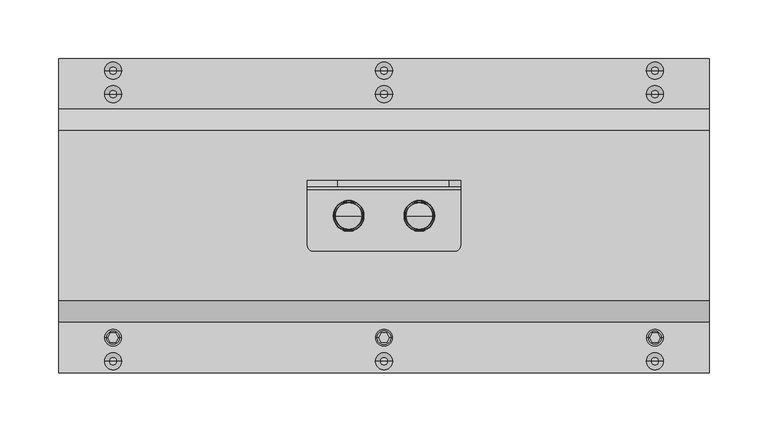
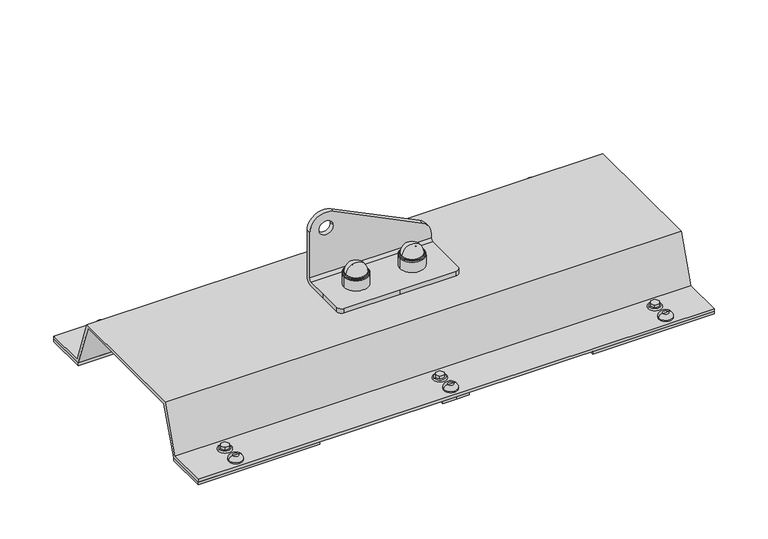
"""IFC4 building model written with IfcOpenShell, lengths in millimetres: proxy geometry."""

from ifc_helpers import new_model, si_unit, point, frame, origin, origin_with_axes, place, context, project, spatial, polyline, circle_curve, ellipse_curve, trimmed, outline, extrude, source, transform, mapped, element, save
from ifc_brep_helpers import plane_surface, cylinder_surface, revolved_surface, advanced_brep


def specialty_equipment_c025c67d(model_context):
    return source(origin(), model_context, "Body", "SolidModel", [
        advanced_brep(
        [(3270.0, -27.5, 61.0), (3257.0, -27.5, 61.0), (3283.0, -27.5, 61.0), (3258.8711318, -27.5, 74.769106), (3270.0, -27.5, 84.5), (3281.1288682, -27.5, 74.769106), (3258.3951125, -27.5, 74.0453749), (3281.6048875, -27.5, 74.0453749), (3257.4849619, -27.5, 73.4985013), (3282.5150381, -27.5, 73.4985013), (3257.0, -27.5, 72.641334), (3283.0, -27.5, 72.641334)],
        [
            (0, 1),
            (1, 2, circle_curve(frame((3270.0, -27.5, 61.0), z_axis=(0.0, 0.0, -1.0), x_axis=(1.0, 0.0, 0.0)), 13.0)),
            (2, 0),
            (2, 1, circle_curve(frame((3270.0, -27.5, 61.0), z_axis=(0.0, 0.0, -1.0), x_axis=(1.0, 0.0, 0.0)), 13.0)),
            (3, 4, circle_curve(frame((3270.0, -27.5, 73.2707129), z_axis=(0.0, 1.0, 0.0), x_axis=(1.0, 0.0, 0.0)), 11.2292871)),
            (4, 5, circle_curve(frame((3270.0, -27.5, 73.2707129), z_axis=(0.0, 1.0, 0.0), x_axis=(-1.0, 0.0, 0.0)), 11.2292871)),
            (5, 3, circle_curve(frame((3270.0, -27.5, 74.769106), z_axis=(0.0, 0.0, 1.0), x_axis=(1.0, 0.0, 0.0)), 11.1288682)),
            (3, 5, circle_curve(frame((3270.0, -27.5, 74.769106), z_axis=(0.0, 0.0, 1.0), x_axis=(1.0, 0.0, 0.0)), 11.1288682)),
            (6, 3, circle_curve(frame((3257.8800744, -27.5, 74.9025422), z_axis=(0.0, -1.0, 0.0), x_axis=(1.0, 0.0, 0.0)), 1.0)),
            (5, 7, circle_curve(frame((3282.1199256, -27.5, 74.9025422), z_axis=(0.0, -1.0, 0.0), x_axis=(-1.0, 0.0, 0.0)), 1.0)),
            (7, 6, circle_curve(frame((3270.0, -27.5, 74.0453749), z_axis=(0.0, 0.0, 1.0), x_axis=(1.0, 0.0, 0.0)), 11.6048875)),
            (6, 7, circle_curve(frame((3270.0, -27.5, 74.0453749), z_axis=(0.0, 0.0, 1.0), x_axis=(1.0, 0.0, 0.0)), 11.6048875)),
            (8, 6),
            (7, 9),
            (9, 8, circle_curve(frame((3270.0, -27.5, 73.4985013), z_axis=(0.0, 0.0, 1.0), x_axis=(1.0, 0.0, 0.0)), 12.5150381)),
            (8, 9, circle_curve(frame((3270.0, -27.5, 73.4985013), z_axis=(0.0, 0.0, 1.0), x_axis=(1.0, 0.0, 0.0)), 12.5150381)),
            (10, 8, circle_curve(frame((3258.0, -27.5, 72.641334), z_axis=(0.0, 1.0, 0.0), x_axis=(1.0, 0.0, 0.0)), 1.0)),
            (9, 11, circle_curve(frame((3282.0, -27.5, 72.641334), z_axis=(0.0, 1.0, 0.0), x_axis=(-1.0, 0.0, 0.0)), 1.0)),
            (11, 10, circle_curve(frame((3270.0, -27.5, 72.641334), z_axis=(0.0, 0.0, 1.0), x_axis=(1.0, 0.0, 0.0)), 13.0)),
            (10, 11, circle_curve(frame((3270.0, -27.5, 72.641334), z_axis=(0.0, 0.0, 1.0), x_axis=(1.0, 0.0, 0.0)), 13.0)),
            (1, 10),
            (11, 2),
        ],
        [
            plane_surface(frame((3270.0, -27.5, 61.0), z_axis=(0.0, 0.0, -1.0), x_axis=(1.0, 0.0, 0.0))),
            revolved_surface(trimmed(ellipse_curve(frame((3270.0, -27.5, 73.2707129), z_axis=(0.0, 1.0, 0.0), x_axis=(-1.0, 0.0, 0.0)), 11.2292871, 11.2292871), [point((3270.0, -27.5, 84.5))], [point((3281.1288682, -27.5, 74.769106))], True, "CARTESIAN"), (3270.0, -27.5, 53.3736575), (0.0, 0.0, -1.0)),
            revolved_surface(trimmed(ellipse_curve(frame((3282.1199256, -27.5, 74.9025422), z_axis=(0.0, -1.0, 0.0), x_axis=(-1.0, 0.0, 0.0)), 1.0, 1.0), [point((3281.1288682, -27.5, 74.769106))], [point((3281.6048875, -27.5, 74.0453749))], True, "CARTESIAN"), (3270.0, -27.5, 53.3736575), (0.0, 0.0, -1.0)),
            revolved_surface(polyline([(3281.6048875, -27.5, 74.0453749), (3282.5150381, -27.5, 73.4985013)]), (3270.0, -27.5, 53.3736575), (0.0, 0.0, -1.0)),
            revolved_surface(trimmed(ellipse_curve(frame((3282.0, -27.5, 72.641334), z_axis=(0.0, 1.0, 0.0), x_axis=(-1.0, 0.0, 0.0)), 1.0, 1.0), [point((3282.5150381, -27.5, 73.4985013))], [point((3283.0, -27.5, 72.641334))], True, "CARTESIAN"), (3270.0, -27.5, 53.3736575), (0.0, 0.0, -1.0)),
            cylinder_surface(frame((3270.0, -27.5, 53.3736575), z_axis=(0.0, 0.0, -1.0), x_axis=(1.0, 0.0, 0.0)), 13.0),
        ],
        [
            (0, [[1, 2, 3]]),
            (0, [[-3, 4, -1]]),
            (1, [[5, 6, 7]]),
            (1, [[-6, -5, 8]]),
            (2, [[9, -7, 10, 11]]),
            (2, [[-10, -8, -9, 12]]),
            (3, [[13, -11, 14, 15]]),
            (3, [[-14, -12, -13, 16]]),
            (4, [[17, -15, 18, 19]]),
            (4, [[-18, -16, -17, 20]]),
            (5, [[21, -19, 22, -2]]),
            (5, [[-22, -20, -21, -4]]),
        ],
    ),
        advanced_brep(
        [(3330.0, -27.5, 61.0), (3317.0, -27.5, 61.0), (3343.0, -27.5, 61.0), (3318.8711318, -27.5, 74.769106), (3330.0, -27.5, 84.5), (3341.1288682, -27.5, 74.769106), (3318.3951125, -27.5, 74.0453749), (3341.6048875, -27.5, 74.0453749), (3317.4849619, -27.5, 73.4985013), (3342.5150381, -27.5, 73.4985013), (3317.0, -27.5, 72.641334), (3343.0, -27.5, 72.641334)],
        [
            (0, 1),
            (1, 2, circle_curve(frame((3330.0, -27.5, 61.0), z_axis=(0.0, 0.0, -1.0), x_axis=(1.0, 0.0, 0.0)), 13.0)),
            (2, 0),
            (2, 1, circle_curve(frame((3330.0, -27.5, 61.0), z_axis=(0.0, 0.0, -1.0), x_axis=(1.0, 0.0, 0.0)), 13.0)),
            (3, 4, circle_curve(frame((3330.0, -27.5, 73.2707129), z_axis=(0.0, 1.0, 0.0), x_axis=(1.0, 0.0, 0.0)), 11.2292871)),
            (4, 5, circle_curve(frame((3330.0, -27.5, 73.2707129), z_axis=(0.0, 1.0, 0.0), x_axis=(-1.0, 0.0, 0.0)), 11.2292871)),
            (5, 3, circle_curve(frame((3330.0, -27.5, 74.769106), z_axis=(0.0, 0.0, 1.0), x_axis=(1.0, 0.0, 0.0)), 11.1288682)),
            (3, 5, circle_curve(frame((3330.0, -27.5, 74.769106), z_axis=(0.0, 0.0, 1.0), x_axis=(1.0, 0.0, 0.0)), 11.1288682)),
            (6, 3, circle_curve(frame((3317.8800744, -27.5, 74.9025422), z_axis=(0.0, -1.0, 0.0), x_axis=(1.0, 0.0, 0.0)), 1.0)),
            (5, 7, circle_curve(frame((3342.1199256, -27.5, 74.9025422), z_axis=(0.0, -1.0, 0.0), x_axis=(-1.0, 0.0, 0.0)), 1.0)),
            (7, 6, circle_curve(frame((3330.0, -27.5, 74.0453749), z_axis=(0.0, 0.0, 1.0), x_axis=(1.0, 0.0, 0.0)), 11.6048875)),
            (6, 7, circle_curve(frame((3330.0, -27.5, 74.0453749), z_axis=(0.0, 0.0, 1.0), x_axis=(1.0, 0.0, 0.0)), 11.6048875)),
            (8, 6),
            (7, 9),
            (9, 8, circle_curve(frame((3330.0, -27.5, 73.4985013), z_axis=(0.0, 0.0, 1.0), x_axis=(1.0, 0.0, 0.0)), 12.5150381)),
            (8, 9, circle_curve(frame((3330.0, -27.5, 73.4985013), z_axis=(0.0, 0.0, 1.0), x_axis=(1.0, 0.0, 0.0)), 12.5150381)),
            (10, 8, circle_curve(frame((3318.0, -27.5, 72.641334), z_axis=(0.0, 1.0, 0.0), x_axis=(1.0, 0.0, 0.0)), 1.0)),
            (9, 11, circle_curve(frame((3342.0, -27.5, 72.641334), z_axis=(0.0, 1.0, 0.0), x_axis=(-1.0, 0.0, 0.0)), 1.0)),
            (11, 10, circle_curve(frame((3330.0, -27.5, 72.641334), z_axis=(0.0, 0.0, 1.0), x_axis=(1.0, 0.0, 0.0)), 13.0)),
            (10, 11, circle_curve(frame((3330.0, -27.5, 72.641334), z_axis=(0.0, 0.0, 1.0), x_axis=(1.0, 0.0, 0.0)), 13.0)),
            (1, 10),
            (11, 2),
        ],
        [
            plane_surface(frame((3330.0, -27.5, 61.0), z_axis=(0.0, 0.0, -1.0), x_axis=(1.0, 0.0, 0.0))),
            revolved_surface(trimmed(ellipse_curve(frame((3330.0, -27.5, 73.2707129), z_axis=(0.0, 1.0, 0.0), x_axis=(-1.0, 0.0, 0.0)), 11.2292871, 11.2292871), [point((3330.0, -27.5, 84.5))], [point((3341.1288682, -27.5, 74.769106))], True, "CARTESIAN"), (3330.0, -27.5, 53.3736575), (0.0, 0.0, -1.0)),
            revolved_surface(trimmed(ellipse_curve(frame((3342.1199256, -27.5, 74.9025422), z_axis=(0.0, -1.0, 0.0), x_axis=(-1.0, 0.0, 0.0)), 1.0, 1.0), [point((3341.1288682, -27.5, 74.769106))], [point((3341.6048875, -27.5, 74.0453749))], True, "CARTESIAN"), (3330.0, -27.5, 53.3736575), (0.0, 0.0, -1.0)),
            revolved_surface(polyline([(3341.6048875, -27.5, 74.0453749), (3342.5150381, -27.5, 73.4985013)]), (3330.0, -27.5, 53.3736575), (0.0, 0.0, -1.0)),
            revolved_surface(trimmed(ellipse_curve(frame((3342.0, -27.5, 72.641334), z_axis=(0.0, 1.0, 0.0), x_axis=(-1.0, 0.0, 0.0)), 1.0, 1.0), [point((3342.5150381, -27.5, 73.4985013))], [point((3343.0, -27.5, 72.641334))], True, "CARTESIAN"), (3330.0, -27.5, 53.3736575), (0.0, 0.0, -1.0)),
            cylinder_surface(frame((3330.0, -27.5, 53.3736575), z_axis=(0.0, 0.0, -1.0), x_axis=(1.0, 0.0, 0.0)), 13.0),
        ],
        [
            (0, [[1, 2, 3]]),
            (0, [[-3, 4, -1]]),
            (1, [[5, 6, 7]]),
            (1, [[-6, -5, 8]]),
            (2, [[9, -7, 10, 11]]),
            (2, [[-10, -8, -9, 12]]),
            (3, [[13, -11, 14, 15]]),
            (3, [[-14, -12, -13, 16]]),
            (4, [[17, -15, 18, 19]]),
            (4, [[-18, -16, -17, 20]]),
            (5, [[21, -19, 22, -2]]),
            (5, [[-22, -20, -21, -4]]),
        ],
    ),
        advanced_brep(
        [(3235.0, -2.5, 114.5), (3235.0, -2.5, 64.0), (3365.0, -2.5, 64.0), (3365.0, -2.5, 68.1654041), (3355.1714951, -2.5, 83.8942999), (3260.1714951, -2.5, 130.2288958), (3245.0, -2.5, 114.5), (3260.0, -2.5, 114.5), (3365.0, 2.5, 68.1654041), (3365.0, 2.5, 64.0), (3235.0, 2.5, 64.0), (3235.0, 2.5, 114.5), (3260.1714951, 2.5, 130.2288958), (3355.1714951, 2.5, 83.8942999), (3260.0, 2.5, 114.5), (3245.0, 2.5, 114.5), (3365.0, -27.5, 61.0), (3365.0, -5.5, 61.0), (3235.0, -5.5, 61.0), (3235.0, -27.5, 61.0), (3235.0, -52.5, 61.0), (3240.0, -57.5, 61.0), (3300.0, -57.5, 61.0), (3360.0, -57.5, 61.0), (3365.0, -52.5, 61.0), (3235.0, -27.5, 56.0), (3235.0, -5.5, 56.0), (3365.0, -5.5, 56.0), (3365.0, -27.5, 56.0), (3365.0, -52.5, 56.0), (3360.0, -57.5, 56.0), (3300.0, -57.5, 56.0), (3240.0, -57.5, 56.0), (3235.0, -52.5, 56.0)],
        [
            (0, 1),
            (1, 2),
            (2, 3),
            (3, 4, circle_curve(frame((3347.5, -2.5, 68.1654041), z_axis=(0.0, -1.0, 0.0), x_axis=(1.0, 0.0, 0.0)), 17.5)),
            (4, 5),
            (5, 0, circle_curve(frame((3252.5, -2.5, 114.5), z_axis=(0.0, -1.0, 0.0), x_axis=(1.0, 0.0, 0.0)), 17.5)),
            (6, 7, circle_curve(frame((3252.5, -2.5, 114.5), z_axis=(0.0, 1.0, 0.0), x_axis=(-1.0, 0.0, 0.0)), 7.5)),
            (7, 6, circle_curve(frame((3252.5, -2.5, 114.5), z_axis=(0.0, 1.0, 0.0), x_axis=(-1.0, 0.0, 0.0)), 7.5)),
            (8, 9),
            (9, 10),
            (10, 11),
            (11, 12, circle_curve(frame((3252.5, 2.5, 114.5), z_axis=(0.0, 1.0, 0.0), x_axis=(1.0, 0.0, 0.0)), 17.5)),
            (12, 13),
            (13, 8, circle_curve(frame((3347.5, 2.5, 68.1654041), z_axis=(0.0, 1.0, 0.0), x_axis=(1.0, 0.0, 0.0)), 17.5)),
            (14, 15, circle_curve(frame((3252.5, 2.5, 114.5), z_axis=(0.0, -1.0, 0.0), x_axis=(-1.0, 0.0, 0.0)), 7.5)),
            (15, 14, circle_curve(frame((3252.5, 2.5, 114.5), z_axis=(0.0, -1.0, 0.0), x_axis=(-1.0, 0.0, 0.0)), 7.5)),
            (16, 17),
            (17, 18),
            (18, 19),
            (19, 20),
            (20, 21, circle_curve(frame((3240.0, -52.5, 61.0), z_axis=(0.0, 0.0, 1.0), x_axis=(0.0, 1.0, 0.0)), 5.0)),
            (21, 22),
            (22, 23),
            (23, 24, circle_curve(frame((3360.0, -52.5, 61.0), z_axis=(0.0, 0.0, 1.0), x_axis=(0.0, 1.0, 0.0)), 5.0)),
            (24, 16),
            (25, 26),
            (26, 27),
            (27, 28),
            (28, 29),
            (29, 30, circle_curve(frame((3360.0, -52.5, 56.0), z_axis=(0.0, 0.0, -1.0), x_axis=(0.0, 1.0, 0.0)), 5.0)),
            (30, 31),
            (31, 32),
            (32, 33, circle_curve(frame((3240.0, -52.5, 56.0), z_axis=(0.0, 0.0, -1.0), x_axis=(0.0, 1.0, 0.0)), 5.0)),
            (33, 25),
            (24, 29),
            (28, 16),
            (23, 30),
            (22, 31),
            (21, 32),
            (20, 33),
            (19, 25),
            (1, 18, circle_curve(frame((3235.0, -5.5, 64.0), z_axis=(-1.0, 0.0, 0.0), x_axis=(0.0, 1.0, 0.0)), 3.0)),
            (17, 2, circle_curve(frame((3365.0, -5.5, 64.0), z_axis=(1.0, 0.0, 0.0), x_axis=(0.0, 1.0, 0.0)), 3.0)),
            (10, 26, circle_curve(frame((3235.0, -5.5, 64.0), z_axis=(-1.0, 0.0, 0.0), x_axis=(0.0, 1.0, 0.0)), 8.0)),
            (0, 11),
            (5, 12),
            (4, 13),
            (3, 8),
            (27, 9, circle_curve(frame((3365.0, -5.5, 64.0), z_axis=(1.0, 0.0, 0.0), x_axis=(0.0, 1.0, 0.0)), 8.0)),
            (7, 14),
            (15, 6),
        ],
        [
            plane_surface(frame((3235.0, -2.5, 61.0), z_axis=(0.0, -1.0, 0.0), x_axis=(0.0, 0.0, 1.0))),
            plane_surface(frame((3235.0, 2.5, 61.0), z_axis=(0.0, 1.0, 0.0), x_axis=(0.0, 0.0, -1.0))),
            plane_surface(frame((3365.0, 2.5, 61.0), z_axis=(0.0, 0.0, 1.0), x_axis=(0.0, -1.0, 0.0))),
            plane_surface(frame((3365.0, 2.5, 56.0), z_axis=(0.0, 0.0, -1.0), x_axis=(0.0, 1.0, 0.0))),
            plane_surface(frame((3365.0, -27.5, 61.0), z_axis=(1.0, 0.0, 0.0), x_axis=(0.0, 0.0, -1.0))),
            cylinder_surface(frame((3360.0, -52.5, 56.0), z_axis=(0.0, 0.0, 1.0), x_axis=(0.0, 1.0, 0.0)), 5.0),
            plane_surface(frame((3360.0, -57.5, 61.0), z_axis=(0.0, -1.0, 0.0), x_axis=(0.0, 0.0, -1.0))),
            plane_surface(frame((3300.0, -57.5, 61.0), z_axis=(0.0, -1.0, 0.0), x_axis=(0.0, 0.0, -1.0))),
            cylinder_surface(frame((3240.0, -52.5, 56.0), z_axis=(0.0, 0.0, 1.0), x_axis=(0.0, 1.0, 0.0)), 5.0),
            plane_surface(frame((3235.0, -52.5, 61.0), z_axis=(-1.0, 0.0, 0.0), x_axis=(0.0, 0.0, -1.0))),
            revolved_surface(polyline([(3365.0, -2.5, 64.0), (3235.0, -2.5, 64.0)]), (3365.0, -5.5, 64.0), (1.0, 0.0, 0.0)),
            plane_surface(frame((3235.0, -2.5, 61.0), z_axis=(-1.0, 0.0, 0.0), x_axis=(0.0, 1.0, 0.0))),
            cylinder_surface(frame((3252.5, 2.5, 114.5), z_axis=(0.0, -1.0, 0.0), x_axis=(1.0, 0.0, 0.0)), 17.5),
            plane_surface(frame((3260.1714951, -2.5, 130.2288958), z_axis=(0.43837114678908046, 0.0, 0.8987940462991656), x_axis=(0.0, 1.0, 0.0))),
            cylinder_surface(frame((3347.5, 2.5, 68.1654041), z_axis=(0.0, -1.0, 0.0), x_axis=(1.0, 0.0, 0.0)), 17.5),
            plane_surface(frame((3365.0, -2.5, 68.1654041), z_axis=(1.0, 0.0, 0.0), x_axis=(0.0, 1.0, 0.0))),
            revolved_surface(polyline([(3245.0, -2.5, 114.5), (3245.0, 2.5, 114.5)]), (3252.5, 2.5, 114.5), (0.0, -1.0, 0.0)),
            cylinder_surface(frame((3365.0, -5.5, 64.0), z_axis=(1.0, 0.0, 0.0), x_axis=(0.0, 1.0, 0.0)), 8.0),
        ],
        [
            (0, [[1, 2, 3, 4, 5, 6], [7, 8]]),
            (1, [[9, 10, 11, 12, 13, 14], [15, 16]]),
            (2, [[17, 18, 19, 20, 21, 22, 23, 24, 25]]),
            (3, [[26, 27, 28, 29, 30, 31, 32, 33, 34]]),
            (4, [[35, -29, 36, -25]]),
            (5, [[37, -30, -35, -24]]),
            (6, [[38, -31, -37, -23]]),
            (7, [[39, -32, -38, -22]]),
            (8, [[40, -33, -39, -21]]),
            (9, [[41, -34, -40, -20]]),
            (10, [[-2, 42, -18, 43]]),
            (11, [[-11, 44, -26, -41, -19, -42, -1, 45]]),
            (12, [[46, -12, -45, -6]]),
            (13, [[47, -13, -46, -5]]),
            (14, [[48, -14, -47, -4]]),
            (15, [[-3, -43, -17, -36, -28, 49, -9, -48]]),
            (16, [[-8, 50, -16, 51]]),
            (16, [[-15, -50, -7, -51]]),
            (17, [[-49, -27, -44, -10]]),
        ],
    ),
        extrude(outline(polyline([(61.0, 3.0), (42.7695663, 53.0877048), (-97.7695663, 53.0877048), (-116.0, 3.0), (-161.0, 3.0), (-161.0, 6.0), (-118.1006226, 6.0), (-99.870189, 56.0877048), (44.870189, 56.0877048), (63.1006226, 6.0), (106.0, 6.0), (106.0, 3.0), (61.0, 3.0)])), frame((3024.0, 0.0, 0.0), z_axis=(1.0, 0.0, 0.0), x_axis=(0.0, 1.0, 0.0)), (0.0, 0.0, 1.0), 552.0),
        extrude(outline(polyline([(3446.0, 106.0), (3576.0, 106.0), (3576.0, 61.0), (3446.0, 61.0), (3446.0, 106.0)])), origin_with_axes(), (0.0, 0.0, 1.0), 3.0),
        extrude(outline(polyline([(3154.0, 106.0), (3154.0, 61.0), (3024.0, 61.0), (3024.0, 106.0), (3154.0, 106.0)])), origin_with_axes(), (0.0, 0.0, 1.0), 3.0),
        extrude(outline(polyline([(3446.0, -161.0), (3446.0, -116.0), (3576.0, -116.0), (3576.0, -161.0), (3446.0, -161.0)])), origin_with_axes(), (0.0, 0.0, 1.0), 3.0),
        extrude(outline(polyline([(3154.0, -161.0), (3024.0, -161.0), (3024.0, -116.0), (3154.0, -116.0), (3154.0, -161.0)])), origin_with_axes(), (0.0, 0.0, 1.0), 3.0),
        extrude(outline(polyline([(3300.0, 106.0), (3314.1113894, 106.0), (3314.1113894, 61.0), (3300.0, 61.0), (3285.8886106, 61.0), (3285.8886106, 106.0), (3300.0, 106.0)])), origin_with_axes(), (0.0, 0.0, 1.0), 3.0),
        extrude(outline(polyline([(3300.0, -161.0), (3285.8886106, -161.0), (3285.8886106, -116.0), (3300.0, -116.0), (3314.1113894, -116.0), (3314.1113894, -161.0), (3300.0, -161.0)])), origin_with_axes(), (0.0, 0.0, 1.0), 3.0),
        advanced_brep(
        [(3062.7019875, -151.0, 6.0), (3070.0, -151.0, 6.0), (3077.2980125, -151.0, 6.0), (3062.7019875, -151.0, 7.5), (3077.2980125, -151.0, 7.5), (3066.7019875, -151.0, 11.5), (3073.2980125, -151.0, 11.5), (3070.0, -151.0, 11.5)],
        [
            (0, 1),
            (1, 2),
            (2, 0, circle_curve(frame((3070.0, -151.0, 6.0), z_axis=(0.0, 0.0, -1.0), x_axis=(1.0, 0.0, 0.0)), 7.2980125)),
            (0, 2, circle_curve(frame((3070.0, -151.0, 6.0), z_axis=(0.0, 0.0, -1.0), x_axis=(1.0, 0.0, 0.0)), 7.2980125)),
            (3, 0),
            (2, 4),
            (4, 3, circle_curve(frame((3070.0, -151.0, 7.5), z_axis=(0.0, 0.0, -1.0), x_axis=(1.0, 0.0, 0.0)), 7.2980125)),
            (3, 4, circle_curve(frame((3070.0, -151.0, 7.5), z_axis=(0.0, 0.0, -1.0), x_axis=(1.0, 0.0, 0.0)), 7.2980125)),
            (5, 3, circle_curve(frame((3066.7019875, -151.0, 7.5), z_axis=(0.0, -1.0, 0.0), x_axis=(-1.0, 0.0, 0.0)), 4.0)),
            (4, 6, circle_curve(frame((3073.2980125, -151.0, 7.5), z_axis=(0.0, -1.0, 0.0), x_axis=(1.0, 0.0, 0.0)), 4.0)),
            (6, 5, circle_curve(frame((3070.0, -151.0, 11.5), z_axis=(0.0, 0.0, -1.0), x_axis=(1.0, 0.0, 0.0)), 3.2980125)),
            (5, 6, circle_curve(frame((3070.0, -151.0, 11.5), z_axis=(0.0, 0.0, -1.0), x_axis=(1.0, 0.0, 0.0)), 3.2980125)),
            (7, 5),
            (6, 7),
        ],
        [
            plane_surface(frame((3070.0, -151.0, 6.0), z_axis=(0.0, 0.0, -1.0), x_axis=(1.0, 0.0, 0.0))),
            cylinder_surface(frame((3070.0, -151.0, -55.0), z_axis=(0.0, 0.0, 1.0), x_axis=(1.0, 0.0, 0.0)), 7.2980125),
            revolved_surface(trimmed(ellipse_curve(frame((3073.2980125, -151.0, 7.5), z_axis=(0.0, -1.0, 0.0), x_axis=(1.0, 0.0, 0.0)), 4.0, 4.0), [point((3077.2980125, -151.0, 7.5))], [point((3073.2980125, -151.0, 11.5))], True, "CARTESIAN"), (3070.0, -151.0, -55.0), (0.0, 0.0, 1.0)),
            plane_surface(frame((3070.0, -151.0, 11.5), z_axis=(0.0, 0.0, 1.0), x_axis=(1.0, 0.0, 0.0))),
        ],
        [
            (0, [[1, 2, 3]]),
            (0, [[-2, -1, 4]]),
            (1, [[5, -3, 6, 7]]),
            (1, [[-6, -4, -5, 8]]),
            (2, [[9, -7, 10, 11]]),
            (2, [[-10, -8, -9, 12]]),
            (3, [[13, -11, 14]]),
            (3, [[-14, -12, -13]]),
        ],
    ),
        advanced_brep(
        [(3292.7019875, -151.0, 6.0), (3300.0, -151.0, 6.0), (3307.2980125, -151.0, 6.0), (3292.7019875, -151.0, 7.5), (3307.2980125, -151.0, 7.5), (3296.7019875, -151.0, 11.5), (3303.2980125, -151.0, 11.5), (3300.0, -151.0, 11.5)],
        [
            (0, 1),
            (1, 2),
            (2, 0, circle_curve(frame((3300.0, -151.0, 6.0), z_axis=(0.0, 0.0, -1.0), x_axis=(1.0, 0.0, 0.0)), 7.2980125)),
            (0, 2, circle_curve(frame((3300.0, -151.0, 6.0), z_axis=(0.0, 0.0, -1.0), x_axis=(1.0, 0.0, 0.0)), 7.2980125)),
            (3, 0),
            (2, 4),
            (4, 3, circle_curve(frame((3300.0, -151.0, 7.5), z_axis=(0.0, 0.0, -1.0), x_axis=(1.0, 0.0, 0.0)), 7.2980125)),
            (3, 4, circle_curve(frame((3300.0, -151.0, 7.5), z_axis=(0.0, 0.0, -1.0), x_axis=(1.0, 0.0, 0.0)), 7.2980125)),
            (5, 3, circle_curve(frame((3296.7019875, -151.0, 7.5), z_axis=(0.0, -1.0, 0.0), x_axis=(-1.0, 0.0, 0.0)), 4.0)),
            (4, 6, circle_curve(frame((3303.2980125, -151.0, 7.5), z_axis=(0.0, -1.0, 0.0), x_axis=(1.0, 0.0, 0.0)), 4.0)),
            (6, 5, circle_curve(frame((3300.0, -151.0, 11.5), z_axis=(0.0, 0.0, -1.0), x_axis=(1.0, 0.0, 0.0)), 3.2980125)),
            (5, 6, circle_curve(frame((3300.0, -151.0, 11.5), z_axis=(0.0, 0.0, -1.0), x_axis=(1.0, 0.0, 0.0)), 3.2980125)),
            (7, 5),
            (6, 7),
        ],
        [
            plane_surface(frame((3300.0, -151.0, 6.0), z_axis=(0.0, 0.0, -1.0), x_axis=(1.0, 0.0, 0.0))),
            cylinder_surface(frame((3300.0, -151.0, -55.0), z_axis=(0.0, 0.0, 1.0), x_axis=(1.0, 0.0, 0.0)), 7.2980125),
            revolved_surface(trimmed(ellipse_curve(frame((3303.2980125, -151.0, 7.5), z_axis=(0.0, -1.0, 0.0), x_axis=(1.0, 0.0, 0.0)), 4.0, 4.0), [point((3307.2980125, -151.0, 7.5))], [point((3303.2980125, -151.0, 11.5))], True, "CARTESIAN"), (3300.0, -151.0, -55.0), (0.0, 0.0, 1.0)),
            plane_surface(frame((3300.0, -151.0, 11.5), z_axis=(0.0, 0.0, 1.0), x_axis=(1.0, 0.0, 0.0))),
        ],
        [
            (0, [[1, 2, 3]]),
            (0, [[-2, -1, 4]]),
            (1, [[5, -3, 6, 7]]),
            (1, [[-6, -4, -5, 8]]),
            (2, [[9, -7, 10, 11]]),
            (2, [[-10, -8, -9, 12]]),
            (3, [[13, -11, 14]]),
            (3, [[-14, -12, -13]]),
        ],
    ),
        advanced_brep(
        [(3522.7019875, -151.0, 6.0), (3530.0, -151.0, 6.0), (3537.2980125, -151.0, 6.0), (3522.7019875, -151.0, 7.5), (3537.2980125, -151.0, 7.5), (3526.7019875, -151.0, 11.5), (3533.2980125, -151.0, 11.5), (3530.0, -151.0, 11.5)],
        [
            (0, 1),
            (1, 2),
            (2, 0, circle_curve(frame((3530.0, -151.0, 6.0), z_axis=(0.0, 0.0, -1.0), x_axis=(1.0, 0.0, 0.0)), 7.2980125)),
            (0, 2, circle_curve(frame((3530.0, -151.0, 6.0), z_axis=(0.0, 0.0, -1.0), x_axis=(1.0, 0.0, 0.0)), 7.2980125)),
            (3, 0),
            (2, 4),
            (4, 3, circle_curve(frame((3530.0, -151.0, 7.5), z_axis=(0.0, 0.0, -1.0), x_axis=(1.0, 0.0, 0.0)), 7.2980125)),
            (3, 4, circle_curve(frame((3530.0, -151.0, 7.5), z_axis=(0.0, 0.0, -1.0), x_axis=(1.0, 0.0, 0.0)), 7.2980125)),
            (5, 3, circle_curve(frame((3526.7019875, -151.0, 7.5), z_axis=(0.0, -1.0, 0.0), x_axis=(-1.0, 0.0, 0.0)), 4.0)),
            (4, 6, circle_curve(frame((3533.2980125, -151.0, 7.5), z_axis=(0.0, -1.0, 0.0), x_axis=(1.0, 0.0, 0.0)), 4.0)),
            (6, 5, circle_curve(frame((3530.0, -151.0, 11.5), z_axis=(0.0, 0.0, -1.0), x_axis=(1.0, 0.0, 0.0)), 3.2980125)),
            (5, 6, circle_curve(frame((3530.0, -151.0, 11.5), z_axis=(0.0, 0.0, -1.0), x_axis=(1.0, 0.0, 0.0)), 3.2980125)),
            (7, 5),
            (6, 7),
        ],
        [
            plane_surface(frame((3530.0, -151.0, 6.0), z_axis=(0.0, 0.0, -1.0), x_axis=(1.0, 0.0, 0.0))),
            cylinder_surface(frame((3530.0, -151.0, -55.0), z_axis=(0.0, 0.0, 1.0), x_axis=(1.0, 0.0, 0.0)), 7.2980125),
            revolved_surface(trimmed(ellipse_curve(frame((3533.2980125, -151.0, 7.5), z_axis=(0.0, -1.0, 0.0), x_axis=(1.0, 0.0, 0.0)), 4.0, 4.0), [point((3537.2980125, -151.0, 7.5))], [point((3533.2980125, -151.0, 11.5))], True, "CARTESIAN"), (3530.0, -151.0, -55.0), (0.0, 0.0, 1.0)),
            plane_surface(frame((3530.0, -151.0, 11.5), z_axis=(0.0, 0.0, 1.0), x_axis=(1.0, 0.0, 0.0))),
        ],
        [
            (0, [[1, 2, 3]]),
            (0, [[-2, -1, 4]]),
            (1, [[5, -3, 6, 7]]),
            (1, [[-6, -4, -5, 8]]),
            (2, [[9, -7, 10, 11]]),
            (2, [[-10, -8, -9, 12]]),
            (3, [[13, -11, 14]]),
            (3, [[-14, -12, -13]]),
        ],
    ),
        advanced_brep(
        [(3077.2980125, 76.0, 6.0), (3070.0, 76.0, 6.0), (3062.7019875, 76.0, 6.0), (3077.2980125, 76.0, 7.5), (3062.7019875, 76.0, 7.5), (3073.2980125, 76.0, 11.5), (3066.7019875, 76.0, 11.5), (3070.0, 76.0, 11.5)],
        [
            (0, 1),
            (1, 2),
            (2, 0, circle_curve(frame((3070.0, 76.0, 6.0), z_axis=(0.0, 0.0, -1.0), x_axis=(-1.0, 0.0, 0.0)), 7.2980125)),
            (0, 2, circle_curve(frame((3070.0, 76.0, 6.0), z_axis=(0.0, 0.0, -1.0), x_axis=(-1.0, 0.0, 0.0)), 7.2980125)),
            (3, 0),
            (2, 4),
            (4, 3, circle_curve(frame((3070.0, 76.0, 7.5), z_axis=(0.0, 0.0, -1.0), x_axis=(-1.0, 0.0, 0.0)), 7.2980125)),
            (3, 4, circle_curve(frame((3070.0, 76.0, 7.5), z_axis=(0.0, 0.0, -1.0), x_axis=(-1.0, 0.0, 0.0)), 7.2980125)),
            (5, 3, circle_curve(frame((3073.2980125, 76.0, 7.5), z_axis=(0.0, 1.0, 0.0), x_axis=(-1.0, 0.0, 0.0)), 4.0)),
            (4, 6, circle_curve(frame((3066.7019875, 76.0, 7.5), z_axis=(0.0, 1.0, 0.0), x_axis=(1.0, 0.0, 0.0)), 4.0)),
            (6, 5, circle_curve(frame((3070.0, 76.0, 11.5), z_axis=(0.0, 0.0, -1.0), x_axis=(-1.0, 0.0, 0.0)), 3.2980125)),
            (5, 6, circle_curve(frame((3070.0, 76.0, 11.5), z_axis=(0.0, 0.0, -1.0), x_axis=(-1.0, 0.0, 0.0)), 3.2980125)),
            (7, 5),
            (6, 7),
        ],
        [
            plane_surface(frame((3070.0, 76.0, 6.0), z_axis=(0.0, 0.0, -1.0), x_axis=(-1.0, 0.0, 0.0))),
            cylinder_surface(frame((3070.0, 76.0, -55.0), z_axis=(0.0, 0.0, 1.0), x_axis=(-1.0, 0.0, 0.0)), 7.2980125),
            revolved_surface(trimmed(ellipse_curve(frame((3066.7019875, 76.0, 7.5), z_axis=(0.0, 1.0, 0.0), x_axis=(1.0, 0.0, 0.0)), 4.0, 4.0), [point((3062.7019875, 76.0, 7.5))], [point((3066.7019875, 76.0, 11.5))], True, "CARTESIAN"), (3070.0, 76.0, -55.0), (0.0, 0.0, 1.0)),
            plane_surface(frame((3070.0, 76.0, 11.5), z_axis=(0.0, 0.0, 1.0), x_axis=(-1.0, 0.0, 0.0))),
        ],
        [
            (0, [[1, 2, 3]]),
            (0, [[-2, -1, 4]]),
            (1, [[5, -3, 6, 7]]),
            (1, [[-6, -4, -5, 8]]),
            (2, [[9, -7, 10, 11]]),
            (2, [[-10, -8, -9, 12]]),
            (3, [[13, -11, 14]]),
            (3, [[-14, -12, -13]]),
        ],
    ),
        advanced_brep(
        [(3307.2980125, 76.0, 6.0), (3300.0, 76.0, 6.0), (3292.7019875, 76.0, 6.0), (3307.2980125, 76.0, 7.5), (3292.7019875, 76.0, 7.5), (3303.2980125, 76.0, 11.5), (3296.7019875, 76.0, 11.5), (3300.0, 76.0, 11.5)],
        [
            (0, 1),
            (1, 2),
            (2, 0, circle_curve(frame((3300.0, 76.0, 6.0), z_axis=(0.0, 0.0, -1.0), x_axis=(-1.0, 0.0, 0.0)), 7.2980125)),
            (0, 2, circle_curve(frame((3300.0, 76.0, 6.0), z_axis=(0.0, 0.0, -1.0), x_axis=(-1.0, 0.0, 0.0)), 7.2980125)),
            (3, 0),
            (2, 4),
            (4, 3, circle_curve(frame((3300.0, 76.0, 7.5), z_axis=(0.0, 0.0, -1.0), x_axis=(-1.0, 0.0, 0.0)), 7.2980125)),
            (3, 4, circle_curve(frame((3300.0, 76.0, 7.5), z_axis=(0.0, 0.0, -1.0), x_axis=(-1.0, 0.0, 0.0)), 7.2980125)),
            (5, 3, circle_curve(frame((3303.2980125, 76.0, 7.5), z_axis=(0.0, 1.0, 0.0), x_axis=(-1.0, 0.0, 0.0)), 4.0)),
            (4, 6, circle_curve(frame((3296.7019875, 76.0, 7.5), z_axis=(0.0, 1.0, 0.0), x_axis=(1.0, 0.0, 0.0)), 4.0)),
            (6, 5, circle_curve(frame((3300.0, 76.0, 11.5), z_axis=(0.0, 0.0, -1.0), x_axis=(-1.0, 0.0, 0.0)), 3.2980125)),
            (5, 6, circle_curve(frame((3300.0, 76.0, 11.5), z_axis=(0.0, 0.0, -1.0), x_axis=(-1.0, 0.0, 0.0)), 3.2980125)),
            (7, 5),
            (6, 7),
        ],
        [
            plane_surface(frame((3300.0, 76.0, 6.0), z_axis=(0.0, 0.0, -1.0), x_axis=(-1.0, 0.0, 0.0))),
            cylinder_surface(frame((3300.0, 76.0, -55.0), z_axis=(0.0, 0.0, 1.0), x_axis=(-1.0, 0.0, 0.0)), 7.2980125),
            revolved_surface(trimmed(ellipse_curve(frame((3296.7019875, 76.0, 7.5), z_axis=(0.0, 1.0, 0.0), x_axis=(1.0, 0.0, 0.0)), 4.0, 4.0), [point((3292.7019875, 76.0, 7.5))], [point((3296.7019875, 76.0, 11.5))], True, "CARTESIAN"), (3300.0, 76.0, -55.0), (0.0, 0.0, 1.0)),
            plane_surface(frame((3300.0, 76.0, 11.5), z_axis=(0.0, 0.0, 1.0), x_axis=(-1.0, 0.0, 0.0))),
        ],
        [
            (0, [[1, 2, 3]]),
            (0, [[-2, -1, 4]]),
            (1, [[5, -3, 6, 7]]),
            (1, [[-6, -4, -5, 8]]),
            (2, [[9, -7, 10, 11]]),
            (2, [[-10, -8, -9, 12]]),
            (3, [[13, -11, 14]]),
            (3, [[-14, -12, -13]]),
        ],
    ),
        advanced_brep(
        [(3537.2980125, 76.0, 6.0), (3530.0, 76.0, 6.0), (3522.7019875, 76.0, 6.0), (3537.2980125, 76.0, 7.5), (3522.7019875, 76.0, 7.5), (3533.2980125, 76.0, 11.5), (3526.7019875, 76.0, 11.5), (3530.0, 76.0, 11.5)],
        [
            (0, 1),
            (1, 2),
            (2, 0, circle_curve(frame((3530.0, 76.0, 6.0), z_axis=(0.0, 0.0, -1.0), x_axis=(-1.0, 0.0, 0.0)), 7.2980125)),
            (0, 2, circle_curve(frame((3530.0, 76.0, 6.0), z_axis=(0.0, 0.0, -1.0), x_axis=(-1.0, 0.0, 0.0)), 7.2980125)),
            (3, 0),
            (2, 4),
            (4, 3, circle_curve(frame((3530.0, 76.0, 7.5), z_axis=(0.0, 0.0, -1.0), x_axis=(-1.0, 0.0, 0.0)), 7.2980125)),
            (3, 4, circle_curve(frame((3530.0, 76.0, 7.5), z_axis=(0.0, 0.0, -1.0), x_axis=(-1.0, 0.0, 0.0)), 7.2980125)),
            (5, 3, circle_curve(frame((3533.2980125, 76.0, 7.5), z_axis=(0.0, 1.0, 0.0), x_axis=(-1.0, 0.0, 0.0)), 4.0)),
            (4, 6, circle_curve(frame((3526.7019875, 76.0, 7.5), z_axis=(0.0, 1.0, 0.0), x_axis=(1.0, 0.0, 0.0)), 4.0)),
            (6, 5, circle_curve(frame((3530.0, 76.0, 11.5), z_axis=(0.0, 0.0, -1.0), x_axis=(-1.0, 0.0, 0.0)), 3.2980125)),
            (5, 6, circle_curve(frame((3530.0, 76.0, 11.5), z_axis=(0.0, 0.0, -1.0), x_axis=(-1.0, 0.0, 0.0)), 3.2980125)),
            (7, 5),
            (6, 7),
        ],
        [
            plane_surface(frame((3530.0, 76.0, 6.0), z_axis=(0.0, 0.0, -1.0), x_axis=(-1.0, 0.0, 0.0))),
            cylinder_surface(frame((3530.0, 76.0, -55.0), z_axis=(0.0, 0.0, 1.0), x_axis=(-1.0, 0.0, 0.0)), 7.2980125),
            revolved_surface(trimmed(ellipse_curve(frame((3526.7019875, 76.0, 7.5), z_axis=(0.0, 1.0, 0.0), x_axis=(1.0, 0.0, 0.0)), 4.0, 4.0), [point((3522.7019875, 76.0, 7.5))], [point((3526.7019875, 76.0, 11.5))], True, "CARTESIAN"), (3530.0, 76.0, -55.0), (0.0, 0.0, 1.0)),
            plane_surface(frame((3530.0, 76.0, 11.5), z_axis=(0.0, 0.0, 1.0), x_axis=(-1.0, 0.0, 0.0))),
        ],
        [
            (0, [[1, 2, 3]]),
            (0, [[-2, -1, 4]]),
            (1, [[5, -3, 6, 7]]),
            (1, [[-6, -4, -5, 8]]),
            (2, [[9, -7, 10, 11]]),
            (2, [[-10, -8, -9, 12]]),
            (3, [[13, -11, 14]]),
            (3, [[-14, -12, -13]]),
        ],
    ),
        advanced_brep(
        [(3077.2980125, 96.0, 6.0), (3070.0, 96.0, 6.0), (3062.7019875, 96.0, 6.0), (3077.2980125, 96.0, 7.5), (3062.7019875, 96.0, 7.5), (3073.2980125, 96.0, 11.5), (3066.7019875, 96.0, 11.5), (3070.0, 96.0, 11.5)],
        [
            (0, 1),
            (1, 2),
            (2, 0, circle_curve(frame((3070.0, 96.0, 6.0), z_axis=(0.0, 0.0, -1.0), x_axis=(-1.0, 0.0, 0.0)), 7.2980125)),
            (0, 2, circle_curve(frame((3070.0, 96.0, 6.0), z_axis=(0.0, 0.0, -1.0), x_axis=(-1.0, 0.0, 0.0)), 7.2980125)),
            (3, 0),
            (2, 4),
            (4, 3, circle_curve(frame((3070.0, 96.0, 7.5), z_axis=(0.0, 0.0, -1.0), x_axis=(-1.0, 0.0, 0.0)), 7.2980125)),
            (3, 4, circle_curve(frame((3070.0, 96.0, 7.5), z_axis=(0.0, 0.0, -1.0), x_axis=(-1.0, 0.0, 0.0)), 7.2980125)),
            (5, 3, circle_curve(frame((3073.2980125, 96.0, 7.5), z_axis=(0.0, 1.0, 0.0), x_axis=(-1.0, 0.0, 0.0)), 4.0)),
            (4, 6, circle_curve(frame((3066.7019875, 96.0, 7.5), z_axis=(0.0, 1.0, 0.0), x_axis=(1.0, 0.0, 0.0)), 4.0)),
            (6, 5, circle_curve(frame((3070.0, 96.0, 11.5), z_axis=(0.0, 0.0, -1.0), x_axis=(-1.0, 0.0, 0.0)), 3.2980125)),
            (5, 6, circle_curve(frame((3070.0, 96.0, 11.5), z_axis=(0.0, 0.0, -1.0), x_axis=(-1.0, 0.0, 0.0)), 3.2980125)),
            (7, 5),
            (6, 7),
        ],
        [
            plane_surface(frame((3070.0, 96.0, 6.0), z_axis=(0.0, 0.0, -1.0), x_axis=(-1.0, 0.0, 0.0))),
            cylinder_surface(frame((3070.0, 96.0, -55.0), z_axis=(0.0, 0.0, 1.0), x_axis=(-1.0, 0.0, 0.0)), 7.2980125),
            revolved_surface(trimmed(ellipse_curve(frame((3066.7019875, 96.0, 7.5), z_axis=(0.0, 1.0, 0.0), x_axis=(1.0, 0.0, 0.0)), 4.0, 4.0), [point((3062.7019875, 96.0, 7.5))], [point((3066.7019875, 96.0, 11.5))], True, "CARTESIAN"), (3070.0, 96.0, -55.0), (0.0, 0.0, 1.0)),
            plane_surface(frame((3070.0, 96.0, 11.5), z_axis=(0.0, 0.0, 1.0), x_axis=(-1.0, 0.0, 0.0))),
        ],
        [
            (0, [[1, 2, 3]]),
            (0, [[-2, -1, 4]]),
            (1, [[5, -3, 6, 7]]),
            (1, [[-6, -4, -5, 8]]),
            (2, [[9, -7, 10, 11]]),
            (2, [[-10, -8, -9, 12]]),
            (3, [[13, -11, 14]]),
            (3, [[-14, -12, -13]]),
        ],
    ),
        advanced_brep(
        [(3307.2980125, 96.0, 6.0), (3300.0, 96.0, 6.0), (3292.7019875, 96.0, 6.0), (3307.2980125, 96.0, 7.5), (3292.7019875, 96.0, 7.5), (3303.2980125, 96.0, 11.5), (3296.7019875, 96.0, 11.5), (3300.0, 96.0, 11.5)],
        [
            (0, 1),
            (1, 2),
            (2, 0, circle_curve(frame((3300.0, 96.0, 6.0), z_axis=(0.0, 0.0, -1.0), x_axis=(-1.0, 0.0, 0.0)), 7.2980125)),
            (0, 2, circle_curve(frame((3300.0, 96.0, 6.0), z_axis=(0.0, 0.0, -1.0), x_axis=(-1.0, 0.0, 0.0)), 7.2980125)),
            (3, 0),
            (2, 4),
            (4, 3, circle_curve(frame((3300.0, 96.0, 7.5), z_axis=(0.0, 0.0, -1.0), x_axis=(-1.0, 0.0, 0.0)), 7.2980125)),
            (3, 4, circle_curve(frame((3300.0, 96.0, 7.5), z_axis=(0.0, 0.0, -1.0), x_axis=(-1.0, 0.0, 0.0)), 7.2980125)),
            (5, 3, circle_curve(frame((3303.2980125, 96.0, 7.5), z_axis=(0.0, 1.0, 0.0), x_axis=(-1.0, 0.0, 0.0)), 4.0)),
            (4, 6, circle_curve(frame((3296.7019875, 96.0, 7.5), z_axis=(0.0, 1.0, 0.0), x_axis=(1.0, 0.0, 0.0)), 4.0)),
            (6, 5, circle_curve(frame((3300.0, 96.0, 11.5), z_axis=(0.0, 0.0, -1.0), x_axis=(-1.0, 0.0, 0.0)), 3.2980125)),
            (5, 6, circle_curve(frame((3300.0, 96.0, 11.5), z_axis=(0.0, 0.0, -1.0), x_axis=(-1.0, 0.0, 0.0)), 3.2980125)),
            (7, 5),
            (6, 7),
        ],
        [
            plane_surface(frame((3300.0, 96.0, 6.0), z_axis=(0.0, 0.0, -1.0), x_axis=(-1.0, 0.0, 0.0))),
            cylinder_surface(frame((3300.0, 96.0, -55.0), z_axis=(0.0, 0.0, 1.0), x_axis=(-1.0, 0.0, 0.0)), 7.2980125),
            revolved_surface(trimmed(ellipse_curve(frame((3296.7019875, 96.0, 7.5), z_axis=(0.0, 1.0, 0.0), x_axis=(1.0, 0.0, 0.0)), 4.0, 4.0), [point((3292.7019875, 96.0, 7.5))], [point((3296.7019875, 96.0, 11.5))], True, "CARTESIAN"), (3300.0, 96.0, -55.0), (0.0, 0.0, 1.0)),
            plane_surface(frame((3300.0, 96.0, 11.5), z_axis=(0.0, 0.0, 1.0), x_axis=(-1.0, 0.0, 0.0))),
        ],
        [
            (0, [[1, 2, 3]]),
            (0, [[-2, -1, 4]]),
            (1, [[5, -3, 6, 7]]),
            (1, [[-6, -4, -5, 8]]),
            (2, [[9, -7, 10, 11]]),
            (2, [[-10, -8, -9, 12]]),
            (3, [[13, -11, 14]]),
            (3, [[-14, -12, -13]]),
        ],
    ),
        advanced_brep(
        [(3537.2980125, 96.0, 6.0), (3530.0, 96.0, 6.0), (3522.7019875, 96.0, 6.0), (3537.2980125, 96.0, 7.5), (3522.7019875, 96.0, 7.5), (3533.2980125, 96.0, 11.5), (3526.7019875, 96.0, 11.5), (3530.0, 96.0, 11.5)],
        [
            (0, 1),
            (1, 2),
            (2, 0, circle_curve(frame((3530.0, 96.0, 6.0), z_axis=(0.0, 0.0, -1.0), x_axis=(-1.0, 0.0, 0.0)), 7.2980125)),
            (0, 2, circle_curve(frame((3530.0, 96.0, 6.0), z_axis=(0.0, 0.0, -1.0), x_axis=(-1.0, 0.0, 0.0)), 7.2980125)),
            (3, 0),
            (2, 4),
            (4, 3, circle_curve(frame((3530.0, 96.0, 7.5), z_axis=(0.0, 0.0, -1.0), x_axis=(-1.0, 0.0, 0.0)), 7.2980125)),
            (3, 4, circle_curve(frame((3530.0, 96.0, 7.5), z_axis=(0.0, 0.0, -1.0), x_axis=(-1.0, 0.0, 0.0)), 7.2980125)),
            (5, 3, circle_curve(frame((3533.2980125, 96.0, 7.5), z_axis=(0.0, 1.0, 0.0), x_axis=(-1.0, 0.0, 0.0)), 4.0)),
            (4, 6, circle_curve(frame((3526.7019875, 96.0, 7.5), z_axis=(0.0, 1.0, 0.0), x_axis=(1.0, 0.0, 0.0)), 4.0)),
            (6, 5, circle_curve(frame((3530.0, 96.0, 11.5), z_axis=(0.0, 0.0, -1.0), x_axis=(-1.0, 0.0, 0.0)), 3.2980125)),
            (5, 6, circle_curve(frame((3530.0, 96.0, 11.5), z_axis=(0.0, 0.0, -1.0), x_axis=(-1.0, 0.0, 0.0)), 3.2980125)),
            (7, 5),
            (6, 7),
        ],
        [
            plane_surface(frame((3530.0, 96.0, 6.0), z_axis=(0.0, 0.0, -1.0), x_axis=(-1.0, 0.0, 0.0))),
            cylinder_surface(frame((3530.0, 96.0, -55.0), z_axis=(0.0, 0.0, 1.0), x_axis=(-1.0, 0.0, 0.0)), 7.2980125),
            revolved_surface(trimmed(ellipse_curve(frame((3526.7019875, 96.0, 7.5), z_axis=(0.0, 1.0, 0.0), x_axis=(1.0, 0.0, 0.0)), 4.0, 4.0), [point((3522.7019875, 96.0, 7.5))], [point((3526.7019875, 96.0, 11.5))], True, "CARTESIAN"), (3530.0, 96.0, -55.0), (0.0, 0.0, 1.0)),
            plane_surface(frame((3530.0, 96.0, 11.5), z_axis=(0.0, 0.0, 1.0), x_axis=(-1.0, 0.0, 0.0))),
        ],
        [
            (0, [[1, 2, 3]]),
            (0, [[-2, -1, 4]]),
            (1, [[5, -3, 6, 7]]),
            (1, [[-6, -4, -5, 8]]),
            (2, [[9, -7, 10, 11]]),
            (2, [[-10, -8, -9, 12]]),
            (3, [[13, -11, 14]]),
            (3, [[-14, -12, -13]]),
        ],
    ),
        advanced_brep(
        [(3062.7154193, -131.0, 6.0), (3070.0, -131.0, 6.0), (3077.2845807, -131.0, 6.0), (3064.2154193, -131.0, 7.5), (3075.7845807, -131.0, 7.5), (3070.0, -131.0, 7.5)],
        [
            (0, 1),
            (1, 2),
            (2, 0, circle_curve(frame((3070.0, -131.0, 6.0), z_axis=(0.0, 0.0, -1.0), x_axis=(1.0, 0.0, 0.0)), 7.2845807)),
            (0, 2, circle_curve(frame((3070.0, -131.0, 6.0), z_axis=(0.0, 0.0, -1.0), x_axis=(1.0, 0.0, 0.0)), 7.2845807)),
            (3, 0, circle_curve(frame((3064.2154193, -131.0, 6.0), z_axis=(0.0, -1.0, 0.0), x_axis=(-1.0, 0.0, 0.0)), 1.5)),
            (2, 4, circle_curve(frame((3075.7845807, -131.0, 6.0), z_axis=(0.0, -1.0, 0.0), x_axis=(1.0, 0.0, 0.0)), 1.5)),
            (4, 3, circle_curve(frame((3070.0, -131.0, 7.5), z_axis=(0.0, 0.0, -1.0), x_axis=(1.0, 0.0, 0.0)), 5.7845807)),
            (3, 4, circle_curve(frame((3070.0, -131.0, 7.5), z_axis=(0.0, 0.0, -1.0), x_axis=(1.0, 0.0, 0.0)), 5.7845807)),
            (5, 3),
            (4, 5),
        ],
        [
            plane_surface(frame((3070.0, -131.0, 6.0), z_axis=(0.0, 0.0, -1.0), x_axis=(1.0, 0.0, 0.0))),
            revolved_surface(trimmed(ellipse_curve(frame((3075.7845807, -131.0, 6.0), z_axis=(0.0, -1.0, 0.0), x_axis=(1.0, 0.0, 0.0)), 1.5, 1.5), [point((3077.2845807, -131.0, 6.0))], [point((3075.7845807, -131.0, 7.5))], True, "CARTESIAN"), (3070.0, -131.0, -55.0), (0.0, 0.0, 1.0)),
            plane_surface(frame((3070.0, -131.0, 7.5), z_axis=(0.0, 0.0, 1.0), x_axis=(1.0, 0.0, 0.0))),
        ],
        [
            (0, [[1, 2, 3]]),
            (0, [[-2, -1, 4]]),
            (1, [[5, -3, 6, 7]]),
            (1, [[-6, -4, -5, 8]]),
            (2, [[9, -7, 10]]),
            (2, [[-10, -8, -9]]),
        ],
    ),
        advanced_brep(
        [(3292.7154193, -131.0, 6.0), (3300.0, -131.0, 6.0), (3307.2845807, -131.0, 6.0), (3300.0, -131.0, 7.5), (3294.2154193, -131.0, 7.5), (3305.7845807, -131.0, 7.5)],
        [
            (0, 1),
            (1, 2),
            (2, 0, circle_curve(frame((3300.0, -131.0, 6.0), z_axis=(0.0, 0.0, -1.0), x_axis=(1.0, 0.0, 0.0)), 7.2845807)),
            (0, 2, circle_curve(frame((3300.0, -131.0, 6.0), z_axis=(0.0, 0.0, -1.0), x_axis=(1.0, 0.0, 0.0)), 7.2845807)),
            (3, 4),
            (4, 5, circle_curve(frame((3300.0, -131.0, 7.5), z_axis=(0.0, 0.0, 1.0), x_axis=(1.0, 0.0, 0.0)), 5.7845807)),
            (5, 3),
            (5, 4, circle_curve(frame((3300.0, -131.0, 7.5), z_axis=(0.0, 0.0, 1.0), x_axis=(1.0, 0.0, 0.0)), 5.7845807)),
            (4, 0, circle_curve(frame((3294.2154193, -131.0, 6.0), z_axis=(0.0, -1.0, 0.0), x_axis=(-1.0, 0.0, 0.0)), 1.5)),
            (2, 5, circle_curve(frame((3305.7845807, -131.0, 6.0), z_axis=(0.0, -1.0, 0.0), x_axis=(1.0, 0.0, 0.0)), 1.5)),
        ],
        [
            plane_surface(frame((3300.0, -131.0, 6.0), z_axis=(0.0, 0.0, -1.0), x_axis=(1.0, 0.0, 0.0))),
            plane_surface(frame((3300.0, -131.0, 7.5), z_axis=(0.0, 0.0, 1.0), x_axis=(1.0, 0.0, 0.0))),
            revolved_surface(trimmed(ellipse_curve(frame((3305.7845807, -131.0, 6.0), z_axis=(0.0, -1.0, 0.0), x_axis=(1.0, 0.0, 0.0)), 1.5, 1.5), [point((3307.2845807, -131.0, 6.0))], [point((3305.7845807, -131.0, 7.5))], True, "CARTESIAN"), (3300.0, -131.0, -55.0), (0.0, 0.0, 1.0)),
        ],
        [
            (0, [[1, 2, 3]]),
            (0, [[-2, -1, 4]]),
            (1, [[5, 6, 7]]),
            (1, [[-7, 8, -5]]),
            (2, [[9, -3, 10, -6]]),
            (2, [[-10, -4, -9, -8]]),
        ],
    ),
        advanced_brep(
        [(3522.7154193, -131.0, 6.0), (3530.0, -131.0, 6.0), (3537.2845807, -131.0, 6.0), (3524.2154193, -131.0, 7.5), (3535.7845807, -131.0, 7.5), (3530.0, -131.0, 7.5)],
        [
            (0, 1),
            (1, 2),
            (2, 0, circle_curve(frame((3530.0, -131.0, 6.0), z_axis=(0.0, 0.0, -1.0), x_axis=(1.0, 0.0, 0.0)), 7.2845807)),
            (0, 2, circle_curve(frame((3530.0, -131.0, 6.0), z_axis=(0.0, 0.0, -1.0), x_axis=(1.0, 0.0, 0.0)), 7.2845807)),
            (3, 0, circle_curve(frame((3524.2154193, -131.0, 6.0), z_axis=(0.0, -1.0, 0.0), x_axis=(-1.0, 0.0, 0.0)), 1.5)),
            (2, 4, circle_curve(frame((3535.7845807, -131.0, 6.0), z_axis=(0.0, -1.0, 0.0), x_axis=(1.0, 0.0, 0.0)), 1.5)),
            (4, 3, circle_curve(frame((3530.0, -131.0, 7.5), z_axis=(0.0, 0.0, -1.0), x_axis=(1.0, 0.0, 0.0)), 5.7845807)),
            (3, 4, circle_curve(frame((3530.0, -131.0, 7.5), z_axis=(0.0, 0.0, -1.0), x_axis=(1.0, 0.0, 0.0)), 5.7845807)),
            (5, 3),
            (4, 5),
        ],
        [
            plane_surface(frame((3530.0, -131.0, 6.0), z_axis=(0.0, 0.0, -1.0), x_axis=(1.0, 0.0, 0.0))),
            revolved_surface(trimmed(ellipse_curve(frame((3535.7845807, -131.0, 6.0), z_axis=(0.0, -1.0, 0.0), x_axis=(1.0, 0.0, 0.0)), 1.5, 1.5), [point((3537.2845807, -131.0, 6.0))], [point((3535.7845807, -131.0, 7.5))], True, "CARTESIAN"), (3530.0, -131.0, -55.0), (0.0, 0.0, 1.0)),
            plane_surface(frame((3530.0, -131.0, 7.5), z_axis=(0.0, 0.0, 1.0), x_axis=(1.0, 0.0, 0.0))),
        ],
        [
            (0, [[1, 2, 3]]),
            (0, [[-2, -1, 4]]),
            (1, [[5, -3, 6, 7]]),
            (1, [[-6, -4, -5, 8]]),
            (2, [[9, -7, 10]]),
            (2, [[-10, -8, -9]]),
        ],
    ),
        extrude(outline(polyline([(3074.5951195, -131.0), (3072.2975598, -134.9794903), (3067.7024402, -134.9794903), (3065.4048805, -131.0), (3067.7024402, -127.0205097), (3072.2975598, -127.0205097), (3074.5951195, -131.0)])), frame((0.0, 0.0, 7.5), z_axis=(0.0, 0.0, 1.0), x_axis=(1.0, 0.0, 0.0)), (0.0, 0.0, 1.0), 3.5),
        extrude(outline(polyline([(3295.4048805, -131.0), (3297.7024402, -127.0205097), (3302.2975598, -127.0205097), (3304.5951195, -131.0), (3302.2975598, -134.9794903), (3297.7024402, -134.9794903), (3295.4048805, -131.0)])), frame((0.0, 0.0, 7.5), z_axis=(0.0, 0.0, 1.0), x_axis=(1.0, 0.0, 0.0)), (0.0, 0.0, 1.0), 3.5),
        extrude(outline(polyline([(3525.4048805, -131.0), (3527.7024402, -127.0205097), (3532.2975598, -127.0205097), (3534.5951195, -131.0), (3532.2975598, -134.9794903), (3527.7024402, -134.9794903), (3525.4048805, -131.0)])), frame((0.0, 0.0, 7.5), z_axis=(0.0, 0.0, 1.0), x_axis=(1.0, 0.0, 0.0)), (0.0, 0.0, 1.0), 3.5),
    ])


if __name__ == "__main__":
    model = new_model("IFC4")
    model_context = context("Model", 3, world=origin())
    ifc_project = project(units=[si_unit("LENGTHUNIT", "METRE", prefix="MILLI")], contexts=[model_context])
    site = spatial("IfcSite", under=ifc_project)
    building = spatial("IfcBuilding", under=site)
    placement = place(None, origin())
    specialty_equipment_shape = specialty_equipment_c025c67d(model_context)
    element("IfcBuildingElementProxy", 1, Name="Specialty Equipment", at=placement, inside=building, context=model_context, shape_type="MappedRepresentation", body=[
        mapped(specialty_equipment_shape, transform((0.0, 0.0, 0.0), x_axis=(1.0, 0.0, 0.0), y_axis=(0.0, 1.0, 0.0), z_axis=(0.0, 0.0, 1.0))),
    ])
    save(model, "model.ifc")
